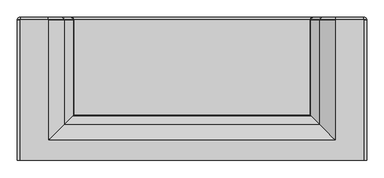
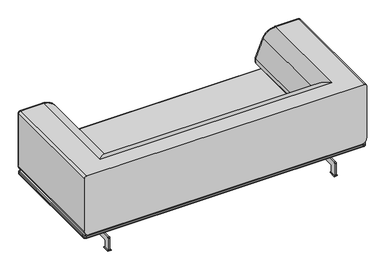
"""IFC4 building model written with IfcOpenShell, lengths in millimetres: furniture geometry."""

from ifc_helpers import new_model, si_unit, point, frame, frame_2d, origin, origin_with_axes, place, context, project, spatial, polyline, circle_curve, ellipse_curve, trimmed, segment, composite_curve, outline, extrude, source, transform, mapped, element, save
from ifc_brep_helpers import plane_surface, cylinder_surface, revolved_surface, advanced_brep


def furniture_7ed4a58c(model_context):
    return source(origin(), model_context, "Body", "SolidModel", [
        extrude(outline(polyline([(-809.515433, -21.0050832), (-809.515433, -72.9965706), (-833.5154085, -72.9965706), (-833.5154085, -21.0050832), (-809.515433, -21.0050832)])), origin_with_axes(), (0.0, 0.0, 1.0), 5.0),
        extrude(outline(polyline([(-809.515433, -842.9777726), (-833.5154085, -842.9777726), (-833.5154085, -790.9862852), (-809.515433, -790.9862852), (-809.515433, -842.9777726)])), origin_with_axes(), (0.0, 0.0, 1.0), 5.0),
        extrude(outline(composite_curve([segment(trimmed(circle_curve(frame_2d((-701.3620737, 104.9874953)), 5.0), [point((-701.3620737, 99.9874953))], [point((-696.3620737, 104.9874953))], True, "CARTESIAN"), True, "CONTINUOUS"), segment(polyline([(-696.3620737, 104.9874953), (-696.3620737, 158.854696), (-186.3648171, 158.854696), (-186.3648171, 104.9874953)]), True, "CONTINUOUS"), segment(trimmed(circle_curve(frame_2d((-181.3648171, 104.9874953)), 5.0), [point((-186.3648171, 104.9874953))], [point((-181.3648171, 99.9874953))], True, "CARTESIAN"), True, "CONTINUOUS"), segment(polyline([(-181.3648171, 99.9874953), (-31.3586859, 99.9874953)]), True, "CONTINUOUS"), segment(trimmed(circle_curve(frame_2d((-31.3586859, 94.9874953)), 5.0), [point((-31.3586859, 99.9874953))], [point((-26.3586859, 94.9874953))], False, "CARTESIAN"), True, "CONTINUOUS"), segment(polyline([(-26.3586859, 94.9874953), (-26.3586859, 5.0)]), True, "CONTINUOUS"), segment(trimmed(circle_curve(frame_2d((-31.3586859, 5.0)), 5.0), [point((-26.3586859, 5.0))], [point((-31.3586859, 0.0))], False, "CARTESIAN"), True, "CONTINUOUS"), segment(polyline([(-31.3586859, 0.0), (-61.3586859, 0.0)]), True, "CONTINUOUS"), segment(trimmed(circle_curve(frame_2d((-61.3586859, 5.0)), 5.0), [point((-61.3586859, 0.0))], [point((-66.3586859, 5.0))], False, "CARTESIAN"), True, "CONTINUOUS"), segment(polyline([(-66.3586859, 5.0), (-66.3586859, 54.9883827)]), True, "CONTINUOUS"), segment(trimmed(circle_curve(frame_2d((-71.3586859, 54.9883827)), 5.0), [point((-66.3586859, 54.9883827))], [point((-71.3586859, 59.9883827))], True, "CARTESIAN"), True, "CONTINUOUS"), segment(polyline([(-71.3586859, 59.9883827), (-791.9807583, 59.9883827)]), True, "CONTINUOUS"), segment(trimmed(circle_curve(frame_2d((-791.9807583, 54.9883827)), 5.0), [point((-791.9807583, 59.9883827))], [point((-796.9807583, 54.9883827))], True, "CARTESIAN"), True, "CONTINUOUS"), segment(polyline([(-796.9807583, 54.9883827), (-796.9807583, 5.0)]), True, "CONTINUOUS"), segment(trimmed(circle_curve(frame_2d((-801.9807583, 5.0)), 5.0), [point((-796.9807583, 5.0))], [point((-801.9807583, 0.0))], False, "CARTESIAN"), True, "CONTINUOUS"), segment(polyline([(-801.9807583, 0.0), (-831.9832995, 0.0)]), True, "CONTINUOUS"), segment(trimmed(circle_curve(frame_2d((-831.9832995, 5.0)), 5.0), [point((-831.9832995, 0.0))], [point((-836.9832995, 5.0))], False, "CARTESIAN"), True, "CONTINUOUS"), segment(polyline([(-836.9832995, 5.0), (-836.9832995, 94.9874953)]), True, "CONTINUOUS"), segment(trimmed(circle_curve(frame_2d((-831.9832995, 94.9874953)), 5.0), [point((-836.9832995, 94.9874953))], [point((-831.9832995, 99.9874953))], False, "CARTESIAN"), True, "CONTINUOUS"), segment(polyline([(-831.9832995, 99.9874953), (-701.3620737, 99.9874953)]), True, "CONTINUOUS")], self_intersect=False)), frame((-827.5154207, 0.0, 0.0), z_axis=(1.0, 0.0, 0.0), x_axis=(0.0, 1.0, 0.0)), (0.0, 0.0, 1.0), 12.0),
        extrude(outline(polyline([(833.5154085, -21.0050832), (833.5154085, -72.9965706), (809.515433, -72.9965706), (809.515433, -21.0050832), (833.5154085, -21.0050832)])), origin_with_axes(), (0.0, 0.0, 1.0), 5.0),
        extrude(outline(polyline([(833.5154085, -842.9777726), (809.515433, -842.9777726), (809.515433, -790.9862852), (833.5154085, -790.9862852), (833.5154085, -842.9777726)])), origin_with_axes(), (0.0, 0.0, 1.0), 5.0),
        extrude(outline(composite_curve([segment(trimmed(circle_curve(frame_2d((-701.3620737, 104.9874953)), 5.0), [point((-701.3620737, 99.9874953))], [point((-696.3620737, 104.9874953))], True, "CARTESIAN"), True, "CONTINUOUS"), segment(polyline([(-696.3620737, 104.9874953), (-696.3620737, 158.854696), (-186.3648171, 158.854696), (-186.3648171, 104.9874953)]), True, "CONTINUOUS"), segment(trimmed(circle_curve(frame_2d((-181.3648171, 104.9874953)), 5.0), [point((-186.3648171, 104.9874953))], [point((-181.3648171, 99.9874953))], True, "CARTESIAN"), True, "CONTINUOUS"), segment(polyline([(-181.3648171, 99.9874953), (-31.3586859, 99.9874953)]), True, "CONTINUOUS"), segment(trimmed(circle_curve(frame_2d((-31.3586859, 94.9874953)), 5.0), [point((-31.3586859, 99.9874953))], [point((-26.3586859, 94.9874953))], False, "CARTESIAN"), True, "CONTINUOUS"), segment(polyline([(-26.3586859, 94.9874953), (-26.3586859, 5.0)]), True, "CONTINUOUS"), segment(trimmed(circle_curve(frame_2d((-31.3586859, 5.0)), 5.0), [point((-26.3586859, 5.0))], [point((-31.3586859, 0.0))], False, "CARTESIAN"), True, "CONTINUOUS"), segment(polyline([(-31.3586859, 0.0), (-61.3586859, 0.0)]), True, "CONTINUOUS"), segment(trimmed(circle_curve(frame_2d((-61.3586859, 5.0)), 5.0), [point((-61.3586859, 0.0))], [point((-66.3586859, 5.0))], False, "CARTESIAN"), True, "CONTINUOUS"), segment(polyline([(-66.3586859, 5.0), (-66.3586859, 54.9883827)]), True, "CONTINUOUS"), segment(trimmed(circle_curve(frame_2d((-71.3586859, 54.9883827)), 5.0), [point((-66.3586859, 54.9883827))], [point((-71.3586859, 59.9883827))], True, "CARTESIAN"), True, "CONTINUOUS"), segment(polyline([(-71.3586859, 59.9883827), (-791.9807583, 59.9883827)]), True, "CONTINUOUS"), segment(trimmed(circle_curve(frame_2d((-791.9807583, 54.9883827)), 5.0), [point((-791.9807583, 59.9883827))], [point((-796.9807583, 54.9883827))], True, "CARTESIAN"), True, "CONTINUOUS"), segment(polyline([(-796.9807583, 54.9883827), (-796.9807583, 5.0)]), True, "CONTINUOUS"), segment(trimmed(circle_curve(frame_2d((-801.9807583, 5.0)), 5.0), [point((-796.9807583, 5.0))], [point((-801.9807583, 0.0))], False, "CARTESIAN"), True, "CONTINUOUS"), segment(polyline([(-801.9807583, 0.0), (-831.9832995, 0.0)]), True, "CONTINUOUS"), segment(trimmed(circle_curve(frame_2d((-831.9832995, 5.0)), 5.0), [point((-831.9832995, 0.0))], [point((-836.9832995, 5.0))], False, "CARTESIAN"), True, "CONTINUOUS"), segment(polyline([(-836.9832995, 5.0), (-836.9832995, 94.9874953)]), True, "CONTINUOUS"), segment(trimmed(circle_curve(frame_2d((-831.9832995, 94.9874953)), 5.0), [point((-836.9832995, 94.9874953))], [point((-831.9832995, 99.9874953))], False, "CARTESIAN"), True, "CONTINUOUS"), segment(polyline([(-831.9832995, 99.9874953), (-701.3620737, 99.9874953)]), True, "CONTINUOUS")], self_intersect=False)), frame((815.5154207, 0.0, 0.0), z_axis=(1.0, 0.0, 0.0), x_axis=(0.0, 1.0, 0.0)), (0.0, 0.0, 1.0), 12.0),
        advanced_brep(
        [(1021.0, -842.4999999, 158.8040803), (-991.0, -842.4999999, 158.8040803), (-1002.5, -830.9999999, 158.8040803), (-1002.5, -33.9999999, 158.8040803), (-991.0, -22.4999999, 158.8040803), (1021.0, -22.4999999, 158.8040803), (1032.5, -33.9999999, 158.8040803), (1032.5, -830.9999999, 158.8040803), (1032.5, -830.9999999, 185.0), (1032.5, -33.9999999, 185.0), (1021.0, -22.4999999, 185.0), (-991.0, -22.4999999, 185.0), (-1002.5, -33.9999999, 185.0), (-1002.5, -830.9999999, 185.0), (-991.0, -842.4999999, 185.0), (1021.0, -842.4999999, 185.0), (1021.0, -849.9999999, 166.3040803), (1040.0, -830.9999999, 166.3040803), (1040.0, -830.9999999, 177.5), (1021.0, -849.9999999, 177.5), (-991.0, -849.9999999, 166.3040803), (-991.0, -849.9999999, 177.5), (-1010.0, -830.9999999, 166.3040803), (-1010.0, -830.9999999, 177.5), (-1010.0, -33.9999999, 166.3040803), (-1010.0, -33.9999999, 177.5), (-991.0, -14.9999999, 166.3040803), (-991.0, -14.9999999, 177.5), (1021.0, -14.9999999, 166.3040803), (1021.0, -14.9999999, 177.5), (1040.0, -33.9999999, 166.3040803), (1040.0, -33.9999999, 177.5)],
        [
            (0, 1),
            (1, 2, circle_curve(frame((-991.0, -830.9999999, 158.8040803), z_axis=(0.0, 0.0, -1.0), x_axis=(0.0, -1.0, 0.0)), 11.5)),
            (2, 3),
            (3, 4, circle_curve(frame((-991.0, -33.9999999, 158.8040803), z_axis=(0.0, 0.0, -1.0), x_axis=(-1.0, 0.0, 0.0)), 11.5)),
            (4, 5),
            (5, 6, circle_curve(frame((1021.0, -33.9999999, 158.8040803), z_axis=(0.0, 0.0, -1.0), x_axis=(0.0, 1.0, 0.0)), 11.5)),
            (6, 7),
            (7, 0, circle_curve(frame((1021.0, -830.9999999, 158.8040803), z_axis=(0.0, 0.0, -1.0), x_axis=(1.0, 0.0, 0.0)), 11.5)),
            (8, 9),
            (9, 10, circle_curve(frame((1021.0, -33.9999999, 185.0), z_axis=(0.0, 0.0, 1.0), x_axis=(0.0, 1.0, 0.0)), 11.5)),
            (10, 11),
            (11, 12, circle_curve(frame((-991.0, -33.9999999, 185.0), z_axis=(0.0, 0.0, 1.0), x_axis=(-1.0, 0.0, 0.0)), 11.5)),
            (12, 13),
            (13, 14, circle_curve(frame((-991.0, -830.9999999, 185.0), z_axis=(0.0, 0.0, 1.0), x_axis=(0.0, -1.0, 0.0)), 11.5)),
            (14, 15),
            (15, 8, circle_curve(frame((1021.0, -830.9999999, 185.0), z_axis=(0.0, 0.0, 1.0), x_axis=(1.0, 0.0, 0.0)), 11.5)),
            (16, 0, circle_curve(frame((1021.0, -842.4999999, 166.3040803), z_axis=(1.0, 0.0, 0.0), x_axis=(0.0, 1.0, 0.0)), 7.5)),
            (7, 17, circle_curve(frame((1032.5, -830.9999999, 166.3040803), z_axis=(0.0, -1.0, 0.0), x_axis=(-1.0, 0.0, 0.0)), 7.5)),
            (17, 16, circle_curve(frame((1021.0, -830.9999999, 166.3040803), z_axis=(0.0, 0.0, -1.0), x_axis=(1.0, 0.0, 0.0)), 19.0)),
            (17, 18),
            (18, 19, circle_curve(frame((1021.0, -830.9999999, 177.5), z_axis=(0.0, 0.0, -1.0), x_axis=(1.0, 0.0, 0.0)), 19.0)),
            (19, 16),
            (18, 8, circle_curve(frame((1032.5, -830.9999999, 177.5), z_axis=(0.0, -1.0, 0.0), x_axis=(-1.0, 0.0, 0.0)), 7.5)),
            (15, 19, circle_curve(frame((1021.0, -842.4999999, 177.5), z_axis=(1.0, 0.0, 0.0), x_axis=(0.0, 1.0, 0.0)), 7.5)),
            (16, 20),
            (20, 1, circle_curve(frame((-991.0, -842.4999999, 166.3040803), z_axis=(1.0, 0.0, 0.0), x_axis=(0.0, 1.0, 0.0)), 7.5)),
            (19, 21),
            (21, 20),
            (14, 21, circle_curve(frame((-991.0, -842.4999999, 177.5), z_axis=(1.0, 0.0, 0.0), x_axis=(0.0, 1.0, 0.0)), 7.5)),
            (20, 22, circle_curve(frame((-991.0, -830.9999999, 166.3040803), z_axis=(0.0, 0.0, -1.0), x_axis=(0.0, -1.0, 0.0)), 19.0)),
            (22, 2, circle_curve(frame((-1002.5, -830.9999999, 166.3040803), z_axis=(0.0, -1.0, 0.0), x_axis=(1.0, 0.0, 0.0)), 7.5)),
            (21, 23, circle_curve(frame((-991.0, -830.9999999, 177.5), z_axis=(0.0, 0.0, -1.0), x_axis=(0.0, -1.0, 0.0)), 19.0)),
            (23, 22),
            (13, 23, circle_curve(frame((-1002.5, -830.9999999, 177.5), z_axis=(0.0, -1.0, 0.0), x_axis=(1.0, 0.0, 0.0)), 7.5)),
            (22, 24),
            (24, 3, circle_curve(frame((-1002.5, -33.9999999, 166.3040803), z_axis=(0.0, -1.0, 0.0), x_axis=(1.0, 0.0, 0.0)), 7.5)),
            (23, 25),
            (25, 24),
            (12, 25, circle_curve(frame((-1002.5, -33.9999999, 177.5), z_axis=(0.0, -1.0, 0.0), x_axis=(1.0, 0.0, 0.0)), 7.5)),
            (24, 26, circle_curve(frame((-991.0, -33.9999999, 166.3040803), z_axis=(0.0, 0.0, -1.0), x_axis=(-1.0, 0.0, 0.0)), 19.0)),
            (26, 4, circle_curve(frame((-991.0, -22.4999999, 166.3040803), z_axis=(-1.0, 0.0, 0.0), x_axis=(0.0, -1.0, 0.0)), 7.5)),
            (25, 27, circle_curve(frame((-991.0, -33.9999999, 177.5), z_axis=(0.0, 0.0, -1.0), x_axis=(-1.0, 0.0, 0.0)), 19.0)),
            (27, 26),
            (11, 27, circle_curve(frame((-991.0, -22.4999999, 177.5), z_axis=(-1.0, 0.0, 0.0), x_axis=(0.0, -1.0, 0.0)), 7.5)),
            (26, 28),
            (28, 5, circle_curve(frame((1021.0, -22.4999999, 166.3040803), z_axis=(-1.0, 0.0, 0.0), x_axis=(0.0, -1.0, 0.0)), 7.5)),
            (27, 29),
            (29, 28),
            (10, 29, circle_curve(frame((1021.0, -22.4999999, 177.5), z_axis=(-1.0, 0.0, 0.0), x_axis=(0.0, -1.0, 0.0)), 7.5)),
            (28, 30, circle_curve(frame((1021.0, -33.9999999, 166.3040803), z_axis=(0.0, 0.0, -1.0), x_axis=(0.0, 1.0, 0.0)), 19.0)),
            (30, 6, circle_curve(frame((1032.5, -33.9999999, 166.3040803), z_axis=(0.0, 1.0, 0.0), x_axis=(-1.0, 0.0, 0.0)), 7.5)),
            (29, 31, circle_curve(frame((1021.0, -33.9999999, 177.5), z_axis=(0.0, 0.0, -1.0), x_axis=(0.0, 1.0, 0.0)), 19.0)),
            (31, 30),
            (9, 31, circle_curve(frame((1032.5, -33.9999999, 177.5), z_axis=(0.0, 1.0, 0.0), x_axis=(-1.0, 0.0, 0.0)), 7.5)),
            (30, 17),
            (31, 18),
        ],
        [
            plane_surface(frame((-987.0, -830.9999999, 158.8040803), z_axis=(0.0, 0.0, -1.0), x_axis=(0.0, 1.0, 0.0))),
            plane_surface(frame((-987.0, -830.9999999, 185.0), z_axis=(0.0, 0.0, 1.0), x_axis=(0.0, -1.0, 0.0))),
            revolved_surface(trimmed(ellipse_curve(frame((1032.5, -830.9999999, 166.3040803), z_axis=(0.0, -1.0, 0.0), x_axis=(-1.0, 0.0, 0.0)), 7.5, 7.5), [point((1032.5, -830.9999999, 158.8040803))], [point((1040.0, -830.9999999, 166.3040803))], True, "CARTESIAN"), (1021.0, -830.9999999, 185.0), (0.0, 0.0, 1.0)),
            cylinder_surface(frame((1021.0, -830.9999999, 185.0), z_axis=(0.0, 0.0, 1.0), x_axis=(1.0, 0.0, 0.0)), 19.0),
            revolved_surface(trimmed(ellipse_curve(frame((1032.5, -830.9999999, 177.5), z_axis=(0.0, -1.0, 0.0), x_axis=(-1.0, 0.0, 0.0)), 7.5, 7.5), [point((1040.0, -830.9999999, 177.5))], [point((1032.5, -830.9999999, 185.0))], True, "CARTESIAN"), (1021.0, -830.9999999, 185.0), (0.0, 0.0, 1.0)),
            cylinder_surface(frame((1021.0, -842.4999999, 166.3040803), z_axis=(1.0, 0.0, 0.0), x_axis=(0.0, 1.0, 0.0)), 7.5),
            plane_surface(frame((1021.0, -849.9999999, 166.3040803), z_axis=(0.0, -1.0, 0.0), x_axis=(-1.0, 0.0, 0.0))),
            cylinder_surface(frame((1021.0, -842.4999999, 177.5), z_axis=(1.0, 0.0, 0.0), x_axis=(0.0, 1.0, 0.0)), 7.5),
            revolved_surface(trimmed(ellipse_curve(frame((-991.0, -842.4999999, 166.3040803), z_axis=(-1.0, 0.0, 0.0), x_axis=(0.0, 1.0, 0.0)), 7.5, 7.5), [point((-991.0, -842.4999999, 158.8040803))], [point((-991.0, -849.9999999, 166.3040803))], True, "CARTESIAN"), (-991.0, -830.9999999, 185.0), (0.0, 0.0, 1.0)),
            cylinder_surface(frame((-991.0, -830.9999999, 185.0), z_axis=(0.0, 0.0, 1.0), x_axis=(0.0, -1.0, 0.0)), 19.0),
            revolved_surface(trimmed(ellipse_curve(frame((-991.0, -842.4999999, 177.5), z_axis=(-1.0, 0.0, 0.0), x_axis=(0.0, 1.0, 0.0)), 7.5, 7.5), [point((-991.0, -849.9999999, 177.5))], [point((-991.0, -842.4999999, 185.0))], True, "CARTESIAN"), (-991.0, -830.9999999, 185.0), (0.0, 0.0, 1.0)),
            cylinder_surface(frame((-1002.5, -830.9999999, 166.3040803), z_axis=(0.0, -1.0, 0.0), x_axis=(1.0, 0.0, 0.0)), 7.5),
            plane_surface(frame((-1010.0, -830.9999999, 166.3040803), z_axis=(-1.0, 0.0, 0.0), x_axis=(0.0, 1.0, 0.0))),
            cylinder_surface(frame((-1002.5, -830.9999999, 177.5), z_axis=(0.0, -1.0, 0.0), x_axis=(1.0, 0.0, 0.0)), 7.5),
            revolved_surface(trimmed(ellipse_curve(frame((-1002.5, -33.9999999, 166.3040803), z_axis=(0.0, 1.0, 0.0), x_axis=(1.0, 0.0, 0.0)), 7.5, 7.5), [point((-1002.5, -33.9999999, 158.8040803))], [point((-1010.0, -33.9999999, 166.3040803))], True, "CARTESIAN"), (-991.0, -33.9999999, 185.0), (0.0, 0.0, 1.0)),
            cylinder_surface(frame((-991.0, -33.9999999, 185.0), z_axis=(0.0, 0.0, 1.0), x_axis=(-1.0, 0.0, 0.0)), 19.0),
            revolved_surface(trimmed(ellipse_curve(frame((-1002.5, -33.9999999, 177.5), z_axis=(0.0, 1.0, 0.0), x_axis=(1.0, 0.0, 0.0)), 7.5, 7.5), [point((-1010.0, -33.9999999, 177.5))], [point((-1002.5, -33.9999999, 185.0))], True, "CARTESIAN"), (-991.0, -33.9999999, 185.0), (0.0, 0.0, 1.0)),
            cylinder_surface(frame((-991.0, -22.4999999, 166.3040803), z_axis=(-1.0, 0.0, 0.0), x_axis=(0.0, -1.0, 0.0)), 7.5),
            plane_surface(frame((-991.0, -14.9999999, 166.3040803), z_axis=(0.0, 1.0, 0.0), x_axis=(1.0, 0.0, 0.0))),
            cylinder_surface(frame((-991.0, -22.4999999, 177.5), z_axis=(-1.0, 0.0, 0.0), x_axis=(0.0, -1.0, 0.0)), 7.5),
            revolved_surface(trimmed(ellipse_curve(frame((1021.0, -22.4999999, 166.3040803), z_axis=(1.0, 0.0, 0.0), x_axis=(0.0, -1.0, 0.0)), 7.5, 7.5), [point((1021.0, -22.4999999, 158.8040803))], [point((1021.0, -14.9999999, 166.3040803))], True, "CARTESIAN"), (1021.0, -33.9999999, 185.0), (0.0, 0.0, 1.0)),
            cylinder_surface(frame((1021.0, -33.9999999, 185.0), z_axis=(0.0, 0.0, 1.0), x_axis=(0.0, 1.0, 0.0)), 19.0),
            revolved_surface(trimmed(ellipse_curve(frame((1021.0, -22.4999999, 177.5), z_axis=(1.0, 0.0, 0.0), x_axis=(0.0, -1.0, 0.0)), 7.5, 7.5), [point((1021.0, -14.9999999, 177.5))], [point((1021.0, -22.4999999, 185.0))], True, "CARTESIAN"), (1021.0, -33.9999999, 185.0), (0.0, 0.0, 1.0)),
            cylinder_surface(frame((1032.5, -33.9999999, 166.3040803), z_axis=(0.0, 1.0, 0.0), x_axis=(-1.0, 0.0, 0.0)), 7.5),
            plane_surface(frame((1040.0, -33.9999999, 166.3040803), z_axis=(1.0, 0.0, 0.0), x_axis=(0.0, -1.0, 0.0))),
            cylinder_surface(frame((1032.5, -33.9999999, 177.5), z_axis=(0.0, 1.0, 0.0), x_axis=(-1.0, 0.0, 0.0)), 7.5),
        ],
        [
            (0, [[1, 2, 3, 4, 5, 6, 7, 8]]),
            (1, [[9, 10, 11, 12, 13, 14, 15, 16]]),
            (2, [[17, -8, 18, 19]]),
            (3, [[20, 21, 22, -19]]),
            (4, [[23, -16, 24, -21]]),
            (5, [[25, 26, -1, -17]]),
            (6, [[27, 28, -25, -22]]),
            (7, [[-15, 29, -27, -24]]),
            (8, [[30, 31, -2, -26]]),
            (9, [[32, 33, -30, -28]]),
            (10, [[-14, 34, -32, -29]]),
            (11, [[35, 36, -3, -31]]),
            (12, [[37, 38, -35, -33]]),
            (13, [[-13, 39, -37, -34]]),
            (14, [[40, 41, -4, -36]]),
            (15, [[42, 43, -40, -38]]),
            (16, [[-12, 44, -42, -39]]),
            (17, [[45, 46, -5, -41]]),
            (18, [[47, 48, -45, -43]]),
            (19, [[-11, 49, -47, -44]]),
            (20, [[50, 51, -6, -46]]),
            (21, [[52, 53, -50, -48]]),
            (22, [[-10, 54, -52, -49]]),
            (23, [[-7, -51, 55, -18]]),
            (24, [[-55, -53, 56, -20]]),
            (25, [[-56, -54, -9, -23]]),
        ],
    ),
        advanced_brep(
        [(1040.0, -26.7851085, 222.8204468), (1040.0, -24.1670048, 222.8204468), (1040.0, -24.1670048, 623.0000241), (1040.0, -26.7851085, 623.0000241), (1040.0, -850.6469164, 623.0000241), (1040.0, -850.6469164, 222.8204468), (-828.299814, -26.7851085, 640.0000241), (-828.299814, -24.1670048, 640.0000241), (-993.0, -24.1670048, 640.0000241), (-993.0, -26.7851085, 640.0000241), (-993.0, -850.6469164, 640.0000241), (1023.0, -850.6469164, 640.0000241), (1023.0, -26.7851085, 640.0000241), (1023.0, -24.1670048, 640.0000241), (858.299814, -24.1670048, 640.0000241), (858.299814, -26.7851085, 640.0000241), (858.299814, -733.2998139, 640.0000241), (-828.299814, -733.2998139, 640.0000241), (766.6416938, -26.7851085, 584.0963643), (766.6416938, -641.6416936, 584.0963643), (712.6001304, -26.7851085, 446.868702), (712.6001304, -587.6001302, 446.868702), (712.6001304, -26.7851085, 413.9178058), (712.6001304, -587.6001302, 413.9178058), (729.7291432, -26.7851085, 394.2161731), (729.7334259, -604.7334257, 394.2142899), (1002.1795532, -850.6469164, 185.0), (-972.1795532, -850.6469164, 185.0), (-972.1795532, -26.7851085, 185.0), (-972.1795532, -24.1670048, 185.0), (1002.1795532, -24.1670048, 185.0), (1002.1795532, -26.7851085, 185.0), (-736.6416938, -641.6416936, 584.0963643), (-682.6001304, -587.6001302, 446.868702), (-682.6001304, -587.6001302, 413.9178058), (-699.7334259, -604.7334257, 394.2142899), (-1010.0, -850.6469164, 222.8204468), (-1010.0, -850.6469164, 623.0000241), (-1010.0, -26.7851085, 623.0000241), (-1010.0, -24.1670048, 623.0000241), (-1010.0, -24.1670048, 270.0000241), (-1010.0, -24.1670048, 222.8204468), (-1010.0, -26.7851085, 222.8204468), (-736.6416938, -26.7851085, 584.0963643), (-682.6001304, -26.7851085, 446.868702), (-682.6001304, -26.7851085, 413.9178058), (-699.7334259, -26.7851085, 394.2142899), (789.401505, -26.7851085, 381.6735871), (789.401505, -26.7851085, 351.6735871), (789.401505, -664.4015048, 351.6735871), (789.401505, -664.4015048, 381.6735871), (789.401505, -24.1670048, 351.6735871), (-759.401505, -24.1670048, 351.6735871), (-759.401505, -26.7851085, 351.6735871), (-759.401505, -664.4015048, 351.6735871), (-759.401505, -664.4015048, 381.6735871), (-759.401505, -26.7851085, 381.6735871), (-694.4734567, -11.830552, 443.5202413), (-694.4734567, -11.830552, 417.2662665), (-704.6982936, -11.830552, 405.5075691), (-759.401505, -11.830552, 394.0100399), (-759.401505, -11.830552, 339.3371343), (789.401505, -11.830552, 339.3371343), (789.401505, -11.830552, 394.0100399), (734.6957379, -11.830552, 405.5086932), (724.4734567, -11.830552, 417.2662665), (724.4734567, -11.830552, 443.5202413), (777.6099266, -11.830552, 578.4496009), (858.299814, -11.830552, 627.6635713), (1023.0, -11.830552, 627.6635713), (1027.6635472, -11.830552, 623.0000241), (1027.6635472, -11.830552, 222.8204468), (1002.1795532, -11.830552, 197.3364528), (-972.1795532, -11.830552, 197.3364528), (-997.6635472, -11.830552, 222.8204468), (-997.6635472, -11.830552, 270.0000241), (-997.6635472, -11.830552, 623.0000241), (-993.0, -11.830552, 627.6635713), (-828.299814, -11.830552, 627.6635713), (-747.6099266, -11.830552, 578.4496009), (766.6416938, -24.1670048, 584.0963643), (712.6001304, -24.1670048, 446.868702), (712.6001304, -24.1670048, 413.9178058), (729.7291432, -24.1670048, 394.2161731), (789.401505, -24.1670048, 381.6735871), (-759.401505, -24.1670048, 381.6735871), (-699.7334258, -24.1670048, 394.2142899), (-682.6001304, -24.1670048, 413.9178058), (-682.6001304, -24.1670048, 446.868702), (-736.6416938, -24.1670048, 584.0963643)],
        [
            (0, 1),
            (1, 2),
            (2, 3),
            (3, 4),
            (4, 5),
            (5, 0),
            (6, 7),
            (7, 8),
            (8, 9),
            (9, 10),
            (10, 11),
            (11, 12),
            (12, 13),
            (13, 14),
            (14, 15),
            (15, 16),
            (16, 17),
            (17, 6),
            (15, 18, circle_curve(frame((858.299814, -26.7851085, 536.9081136), z_axis=(0.0, -1.0, 0.0), x_axis=(-1.0, 0.0, 0.0)), 103.0919105)),
            (18, 19),
            (19, 16, ellipse_curve(frame((858.299814, -733.2998139, 536.9081136), z_axis=(0.7071067811865475, 0.7071067811865475, 0.0), x_axis=(-0.7071067811865474, 0.7071067811865476, 0.0)), 145.793978, 103.0919105)),
            (18, 20, circle_curve(frame((1421.5358053, -26.7851085, 246.9379386), z_axis=(0.0, -1.0, 0.0), x_axis=(-1.0, 0.0, 0.0)), 736.5881491)),
            (20, 21),
            (21, 19, ellipse_curve(frame((1421.5358053, -1296.5358052, 246.9379386), z_axis=(0.7071067811865475, 0.7071067811865475, 0.0), x_axis=(-0.7071067811865474, 0.7071067811865476, 0.0)), 1041.6929503, 736.5881491)),
            (20, 22, circle_curve(frame((771.020519, -26.7851085, 430.3932539), z_axis=(0.0, -1.0, 0.0), x_axis=(-1.0, 0.0, 0.0)), 60.699112)),
            (22, 23),
            (23, 21, ellipse_curve(frame((771.020519, -646.0205189, 430.3932539), z_axis=(0.7071067811865475, 0.7071067811865475, 0.0), x_axis=(-0.7071067811865474, 0.7071067811865476, 0.0)), 85.8415074, 60.699112)),
            (22, 24, circle_curve(frame((742.0465264, -26.7851085, 422.2221424), z_axis=(0.0, -1.0, 0.0), x_axis=(-1.0, 0.0, 0.0)), 30.594971)),
            (24, 25),
            (25, 23, ellipse_curve(frame((742.0465264, -617.0465263, 422.2221424), z_axis=(0.7071067811865475, 0.7071067811865475, 0.0), x_axis=(-0.7071067811865474, 0.7071067811865476, 0.0)), 43.2678229, 30.594971)),
            (26, 27),
            (27, 28),
            (28, 29),
            (29, 30),
            (30, 31),
            (31, 26),
            (19, 32),
            (32, 17, ellipse_curve(frame((-828.299814, -733.2998139, 536.9081136), z_axis=(0.7071067811865475, -0.7071067811865475, 0.0), x_axis=(0.7071067811865476, 0.7071067811865474, 0.0)), 145.793978, 103.0919105)),
            (21, 33),
            (33, 32, ellipse_curve(frame((-1391.5358053, -1296.5358052, 246.9379386), z_axis=(0.7071067811865475, -0.7071067811865475, 0.0), x_axis=(0.7071067811865476, 0.7071067811865474, 0.0)), 1041.6929503, 736.5881491)),
            (23, 34),
            (34, 33, ellipse_curve(frame((-741.020519, -646.0205189, 430.3932539), z_axis=(0.7071067811865475, -0.7071067811865475, 0.0), x_axis=(0.7071067811865476, 0.7071067811865474, 0.0)), 85.8415074, 60.699112)),
            (25, 35),
            (35, 34, ellipse_curve(frame((-712.0465264, -617.0465263, 422.2221424), z_axis=(0.7071067811865475, -0.7071067811865475, 0.0), x_axis=(0.7071067811865476, 0.7071067811865474, 0.0)), 43.2678229, 30.594971)),
            (36, 37),
            (37, 38),
            (38, 39),
            (39, 40),
            (40, 41),
            (41, 42),
            (42, 36),
            (32, 43),
            (43, 6, circle_curve(frame((-828.299814, -26.7851085, 536.9081136), z_axis=(0.0, -1.0, 0.0), x_axis=(1.0, 0.0, 0.0)), 103.0919105)),
            (33, 44),
            (44, 43, circle_curve(frame((-1391.5358053, -26.7851085, 246.9379386), z_axis=(0.0, -1.0, 0.0), x_axis=(1.0, 0.0, 0.0)), 736.5881491)),
            (34, 45),
            (45, 44, circle_curve(frame((-741.020519, -26.7851085, 430.3932539), z_axis=(0.0, -1.0, 0.0), x_axis=(1.0, 0.0, 0.0)), 60.699112)),
            (35, 46),
            (46, 45, circle_curve(frame((-712.0465264, -26.7851085, 422.2221424), z_axis=(0.0, -1.0, 0.0), x_axis=(1.0, 0.0, 0.0)), 30.594971)),
            (4, 11, circle_curve(frame((1023.0, -850.6469164, 623.0000241), z_axis=(0.0, -1.0, 0.0), x_axis=(-1.0, 0.0, 0.0)), 17.0)),
            (10, 37, circle_curve(frame((-993.0, -850.6469164, 623.0000241), z_axis=(0.0, -1.0, 0.0), x_axis=(1.0, 0.0, 0.0)), 17.0)),
            (36, 27, circle_curve(frame((-972.1795532, -850.6469164, 222.8204468), z_axis=(0.0, -1.0, 0.0), x_axis=(1.0, 0.0, 0.0)), 37.8204468)),
            (26, 5, circle_curve(frame((1002.1795532, -850.6469164, 222.8204468), z_axis=(0.0, -1.0, 0.0), x_axis=(-1.0, 0.0, 0.0)), 37.8204468)),
            (47, 48, circle_curve(frame((789.401505, -26.7851085, 366.6735871), z_axis=(0.0, 1.0, 0.0), x_axis=(-1.0, 0.0, 0.0)), 15.0)),
            (48, 49),
            (49, 50, ellipse_curve(frame((789.401505, -664.4015048, 366.6735871), z_axis=(-0.7071067811865475, -0.7071067811865475, 0.0), x_axis=(0.7071067811865474, -0.7071067811865476, 0.0)), 21.2132034, 15.0)),
            (50, 47),
            (48, 51),
            (51, 52),
            (52, 53),
            (53, 54),
            (54, 49),
            (54, 55, ellipse_curve(frame((-759.401505, -664.4015048, 366.6735871), z_axis=(-0.7071067811865475, 0.7071067811865475, 0.0), x_axis=(-0.7071067811865476, -0.7071067811865474, 0.0)), 21.2132034, 15.0)),
            (55, 50),
            (53, 56, circle_curve(frame((-759.401505, -26.7851085, 366.6735871), z_axis=(0.0, 1.0, 0.0), x_axis=(1.0, 0.0, 0.0)), 15.0)),
            (56, 55),
            (24, 47, circle_curve(frame((789.401505, -26.7851085, 529.8929075), z_axis=(0.0, -1.0, 0.0), x_axis=(-1.0, 0.0, 0.0)), 148.2193204)),
            (50, 25, ellipse_curve(frame((789.401505, -664.4015048, 529.8929075), z_axis=(0.7071067811865475, 0.7071067811865475, 0.0), x_axis=(-0.7071067811865474, 0.7071067811865476, 0.0)), 209.6137731, 148.2193204)),
            (55, 35, ellipse_curve(frame((-759.401505, -664.4015048, 529.8929075), z_axis=(0.7071067811865475, -0.7071067811865475, 0.0), x_axis=(0.7071067811865476, 0.7071067811865474, 0.0)), 209.6137731, 148.2193204)),
            (56, 46, circle_curve(frame((-759.401505, -26.7851085, 529.8929075), z_axis=(0.0, -1.0, 0.0), x_axis=(1.0, 0.0, 0.0)), 148.2193204)),
            (31, 0, circle_curve(frame((1002.1795532, -26.7851085, 222.8204468), z_axis=(0.0, -1.0, 0.0), x_axis=(-1.0, 0.0, 0.0)), 37.8204468)),
            (42, 28, circle_curve(frame((-972.1795532, -26.7851085, 222.8204468), z_axis=(0.0, -1.0, 0.0), x_axis=(1.0, 0.0, 0.0)), 37.8204468)),
            (3, 12, circle_curve(frame((1023.0, -26.7851085, 623.0000241), z_axis=(0.0, -1.0, 0.0), x_axis=(-1.0, 0.0, 0.0)), 17.0)),
            (9, 38, circle_curve(frame((-993.0, -26.7851085, 623.0000241), z_axis=(0.0, -1.0, 0.0), x_axis=(1.0, 0.0, 0.0)), 17.0)),
            (57, 58, circle_curve(frame((-741.020519, -11.830552, 430.3932539), z_axis=(0.0, 1.0, 0.0), x_axis=(0.9624587034664223, 0.0, -0.2714281564645303)), 48.3626592)),
            (58, 59, circle_curve(frame((-712.0465264, -11.830552, 422.2221424), z_axis=(0.0, 1.0, 0.0), x_axis=(0.4024550511326324, 0.0, -0.9154397477812672)), 18.2585182)),
            (59, 60, circle_curve(frame((-759.401505, -11.830552, 529.8929075), z_axis=(0.0, 1.0, 0.0), x_axis=(2.307809158910861e-12, 0.0, -1.0)), 135.8828676)),
            (60, 61, circle_curve(frame((-759.401505, -11.830552, 366.6735871), z_axis=(0.0, -1.0, 0.0), x_axis=(0.0, 0.0, -1.0)), 27.3364528)),
            (61, 62),
            (62, 63, circle_curve(frame((789.401505, -11.830552, 366.6735871), z_axis=(0.0, -1.0, 0.0), x_axis=(0.0, 0.0, 1.0)), 27.3364528)),
            (63, 64, circle_curve(frame((789.401505, -11.830552, 529.8929075), z_axis=(0.0, 1.0, 0.0), x_axis=(-0.4025950294069417, 0.0, -0.9153781963193267)), 135.8828676)),
            (64, 65, circle_curve(frame((742.0465264, -11.830552, 422.2221424), z_axis=(0.0, 1.0, 0.0), x_axis=(-0.9624587034664259, 0.0, -0.27142815646451735)), 18.2585182)),
            (65, 66, circle_curve(frame((771.020519, -11.830552, 430.3932539), z_axis=(0.0, 1.0, 0.0), x_axis=(-0.9624587034663407, 0.0, 0.27142815646481944)), 48.3626592)),
            (66, 67, circle_curve(frame((1421.5358053, -11.830552, 246.9379386), z_axis=(0.0, 1.0, 0.0), x_axis=(-0.8890912952620775, 0.0, 0.457729908012576)), 724.2516963)),
            (67, 68, circle_curve(frame((858.299814, -11.830552, 536.9081136), z_axis=(0.0, 1.0, 0.0), x_axis=(0.0, 0.0, 1.0)), 90.7554577)),
            (68, 69),
            (69, 70, circle_curve(frame((1023.0, -11.830552, 623.0000241), z_axis=(0.0, 1.0, 0.0), x_axis=(1.0, 0.0, 0.0)), 4.6635472)),
            (70, 71),
            (71, 72, circle_curve(frame((1002.1795532, -11.830552, 222.8204468), z_axis=(0.0, 1.0, 0.0), x_axis=(0.0, 0.0, -1.0)), 25.483994)),
            (72, 73),
            (73, 74, circle_curve(frame((-972.1795532, -11.830552, 222.8204468), z_axis=(0.0, 1.0, 0.0), x_axis=(-1.0, 0.0, 0.0)), 25.483994)),
            (74, 75),
            (75, 76),
            (76, 77, circle_curve(frame((-993.0, -11.830552, 623.0000241), z_axis=(0.0, 1.0, 0.0), x_axis=(0.0, 0.0, 1.0)), 4.6635472)),
            (77, 78),
            (78, 79, circle_curve(frame((-828.299814, -11.830552, 536.9081136), z_axis=(0.0, 1.0, 0.0), x_axis=(0.8890912952620602, 0.0, 0.45772990801260977)), 90.7554577)),
            (79, 57, circle_curve(frame((-1391.5358053, -11.830552, 246.9379386), z_axis=(0.0, 1.0, 0.0), x_axis=(0.9624587034663644, 0.0, 0.2714281564647354)), 724.2516963)),
            (8, 39, circle_curve(frame((-993.0, -24.1670048, 623.0000241), z_axis=(0.0, -1.0, 0.0), x_axis=(0.0, 0.0, 1.0)), 17.0)),
            (41, 29, circle_curve(frame((-972.1795532, -24.1670048, 222.8204468), z_axis=(0.0, -1.0, 0.0), x_axis=(-1.0, 0.0, 0.0)), 37.8204468)),
            (30, 1, circle_curve(frame((1002.1795532, -24.1670048, 222.8204468), z_axis=(0.0, -1.0, 0.0), x_axis=(0.0, 0.0, -1.0)), 37.8204468)),
            (2, 13, circle_curve(frame((1023.0, -24.1670048, 623.0000241), z_axis=(0.0, -1.0, 0.0), x_axis=(1.0, 0.0, 0.0)), 17.0)),
            (14, 80, circle_curve(frame((858.299814, -24.1670048, 536.9081136), z_axis=(0.0, -1.0, 0.0), x_axis=(0.0, 0.0, 1.0)), 103.0919105)),
            (80, 18),
            (80, 81, circle_curve(frame((1421.5358053, -24.1670048, 246.9379386), z_axis=(0.0, -1.0, 0.0), x_axis=(-0.8890912952620775, 0.0, 0.457729908012576)), 736.5881491)),
            (81, 20),
            (81, 82, circle_curve(frame((771.020519, -24.1670048, 430.3932539), z_axis=(0.0, -1.0, 0.0), x_axis=(-0.9624587034663407, 0.0, 0.27142815646481944)), 60.699112)),
            (82, 22),
            (82, 83, circle_curve(frame((742.0465264, -24.1670048, 422.2221424), z_axis=(0.0, -1.0, 0.0), x_axis=(-0.9624587034664259, 0.0, -0.27142815646451735)), 30.594971)),
            (83, 24),
            (83, 84, circle_curve(frame((789.401505, -24.1670048, 529.8929075), z_axis=(0.0, -1.0, 0.0), x_axis=(-0.4025950294069417, 0.0, -0.9153781963193267)), 148.2193204)),
            (84, 47),
            (84, 51, circle_curve(frame((789.401505, -24.1670048, 366.6735871), z_axis=(0.0, 1.0, 0.0), x_axis=(0.0, 0.0, 1.0)), 15.0)),
            (52, 85, circle_curve(frame((-759.401505, -24.1670048, 366.6735871), z_axis=(0.0, 1.0, 0.0), x_axis=(0.0, 0.0, -1.0)), 15.0)),
            (85, 56),
            (85, 86, circle_curve(frame((-759.401505, -24.1670048, 529.8929075), z_axis=(0.0, -1.0, 0.0), x_axis=(2.307809158910861e-12, 0.0, -1.0)), 148.2193204)),
            (86, 46),
            (86, 87, circle_curve(frame((-712.0465264, -24.1670048, 422.2221424), z_axis=(0.0, -1.0, 0.0), x_axis=(0.4024550511326324, 0.0, -0.9154397477812672)), 30.594971)),
            (87, 45),
            (87, 88, circle_curve(frame((-741.020519, -24.1670048, 430.3932539), z_axis=(0.0, -1.0, 0.0), x_axis=(0.9624587034664223, 0.0, -0.2714281564645303)), 60.699112)),
            (88, 44),
            (88, 89, circle_curve(frame((-1391.5358053, -24.1670048, 246.9379386), z_axis=(0.0, -1.0, 0.0), x_axis=(0.9624587034663644, 0.0, 0.2714281564647354)), 736.5881491)),
            (89, 43),
            (89, 7, circle_curve(frame((-828.299814, -24.1670048, 536.9081136), z_axis=(0.0, -1.0, 0.0), x_axis=(0.8890912952620602, 0.0, 0.45772990801260977)), 103.0919105)),
            (76, 39, circle_curve(frame((-997.6635472, -24.1670048, 623.0000241), z_axis=(0.0, 0.0, 1.0), x_axis=(1.0, 0.0, 0.0)), 12.3364528)),
            (8, 77, circle_curve(frame((-993.0, -24.1670048, 627.6635713), z_axis=(-1.0, 0.0, 0.0), x_axis=(0.0, 0.0, -1.0)), 12.3364528)),
            (75, 40, circle_curve(frame((-997.6635472, -24.1670048, 270.0000241), z_axis=(0.0, 0.0, 1.0), x_axis=(1.0, 0.0, 0.0)), 12.3364528)),
            (74, 41, circle_curve(frame((-997.6635472, -24.1670048, 222.8204468), z_axis=(0.0, 0.0, 1.0), x_axis=(1.0, 0.0, 0.0)), 12.3364528)),
            (73, 29, circle_curve(frame((-972.1795532, -24.1670048, 197.3364528), z_axis=(-1.0, 0.0, 0.0), x_axis=(0.0, 0.0, 1.0)), 12.3364528)),
            (72, 30, circle_curve(frame((1002.1795532, -24.1670048, 197.3364528), z_axis=(-1.0, 0.0, 0.0), x_axis=(0.0, 0.0, 1.0)), 12.3364528)),
            (71, 1, circle_curve(frame((1027.6635472, -24.1670048, 222.8204468), z_axis=(0.0, 0.0, -1.0), x_axis=(-1.0, 0.0, 0.0)), 12.3364528)),
            (70, 2, circle_curve(frame((1027.6635472, -24.1670048, 623.0000241), z_axis=(0.0, 0.0, -1.0), x_axis=(-1.0, 0.0, 0.0)), 12.3364528)),
            (69, 13, circle_curve(frame((1023.0, -24.1670048, 627.6635713), z_axis=(1.0, 0.0, 0.0), x_axis=(0.0, 0.0, -1.0)), 12.3364528)),
            (68, 14, circle_curve(frame((858.299814, -24.1670048, 627.6635713), z_axis=(1.0, 0.0, 0.0), x_axis=(0.0, 0.0, -1.0)), 12.3364528)),
            (67, 80, circle_curve(frame((777.6099266, -24.1670048, 578.4496009), z_axis=(0.4577299080126215, 0.0, 0.8890912952620541), x_axis=(0.8890912952620541, 0.0, -0.4577299080126215)), 12.3364528)),
            (66, 81, circle_curve(frame((724.4734567, -24.1670048, 443.5202413), z_axis=(0.2714281564647415, 0.0, 0.9624587034663626), x_axis=(0.9624587034663626, 0.0, -0.2714281564647415)), 12.3364528)),
            (65, 82, circle_curve(frame((724.4734567, -24.1670048, 417.2662665), z_axis=(-0.271428156464528, 0.0, 0.9624587034664229), x_axis=(0.9624587034664229, 0.0, 0.271428156464528)), 12.3364528)),
            (64, 83, circle_curve(frame((734.6957378, -24.1670048, 405.508693), z_axis=(-0.9153781963193273, 0.0, 0.40259502940694036), x_axis=(0.40259502940694036, 0.0, 0.9153781963193273)), 12.3364528)),
            (63, 84, circle_curve(frame((789.401505, -24.1670048, 394.0100399), z_axis=(-0.9999999999999999, 0.0, 0.0), x_axis=(0.0, 0.0, 0.9999999999999999)), 12.3364528)),
            (62, 51, circle_curve(frame((789.401505, -24.1670048, 339.3371343), z_axis=(1.0, 0.0, 0.0), x_axis=(0.0, 0.0, -1.0)), 12.3364528)),
            (61, 52, circle_curve(frame((-759.401505, -24.1670048, 339.3371343), z_axis=(1.0, 0.0, 0.0), x_axis=(0.0, 0.0, -1.0)), 12.3364528)),
            (60, 85, circle_curve(frame((-759.401505, -24.1670048, 394.0100399), z_axis=(-1.0, 0.0, -2.340750156345901e-12), x_axis=(-2.340750156345901e-12, 0.0, 1.0)), 12.3364528)),
            (59, 86, circle_curve(frame((-704.6982936, -24.1670048, 405.5075691), z_axis=(-0.9154397477812675, 0.0, -0.40245505113263186), x_axis=(-0.40245505113263186, 0.0, 0.9154397477812675)), 12.3364528)),
            (58, 87, circle_curve(frame((-694.4734567, -24.1670048, 417.2662665), z_axis=(-0.27142815646452967, 0.0, -0.9624587034664225), x_axis=(-0.9624587034664225, 0.0, 0.27142815646452967)), 12.3364528)),
            (57, 88, circle_curve(frame((-694.4734567, -24.1670048, 443.5202413), z_axis=(0.27142815646473595, 0.0, -0.9624587034663643), x_axis=(-0.9624587034663643, 0.0, -0.27142815646473595)), 12.3364528)),
            (79, 89, circle_curve(frame((-747.6099266, -24.1670048, 578.4496009), z_axis=(0.45772990801257385, 0.0, -0.8890912952620786), x_axis=(-0.8890912952620786, 0.0, -0.45772990801257385)), 12.3364528)),
            (78, 7, circle_curve(frame((-828.299814, -24.1670048, 627.6635713), z_axis=(1.0, 0.0, 0.0), x_axis=(0.0, 0.0, -1.0)), 12.3364528)),
        ],
        [
            plane_surface(frame((1040.0, -26.7851085, 222.8204468), z_axis=(1.0, 0.0, 0.0), x_axis=(0.0, -1.0, 0.0))),
            plane_surface(frame((1023.0, -26.7851085, 640.0000241), z_axis=(0.0, 0.0, 1.0), x_axis=(0.0, -1.0, 0.0))),
            cylinder_surface(frame((858.299814, -26.7851085, 536.9081136), z_axis=(0.0, 1.0, 0.0), x_axis=(-1.0, 0.0, 0.0)), 103.0919105),
            cylinder_surface(frame((1421.5358053, -26.7851085, 246.9379386), z_axis=(0.0, 1.0, 0.0), x_axis=(-1.0, 0.0, 0.0)), 736.5881491),
            cylinder_surface(frame((771.020519, -26.7851085, 430.3932539), z_axis=(0.0, 1.0, 0.0), x_axis=(-1.0, 0.0, 0.0)), 60.699112),
            cylinder_surface(frame((742.0465264, -26.7851085, 422.2221424), z_axis=(0.0, 1.0, 0.0), x_axis=(-1.0, 0.0, 0.0)), 30.594971),
            plane_surface(frame((771.177561, -26.7851085, 185.0), z_axis=(0.0, 0.0, -1.0), x_axis=(0.0, -1.0, 0.0))),
            cylinder_surface(frame((710.0, -733.2998139, 536.9081136), z_axis=(1.0, 0.0, 0.0), x_axis=(0.0, 1.0, 0.0)), 103.0919105),
            cylinder_surface(frame((710.0, -1296.5358052, 246.9379386), z_axis=(1.0, 0.0, 0.0), x_axis=(0.0, 1.0, 0.0)), 736.5881491),
            cylinder_surface(frame((710.0, -646.0205189, 430.3932539), z_axis=(1.0, 0.0, 0.0), x_axis=(0.0, 1.0, 0.0)), 60.699112),
            cylinder_surface(frame((710.0, -617.0465263, 422.2221424), z_axis=(1.0, 0.0, 0.0), x_axis=(0.0, 1.0, 0.0)), 30.594971),
            plane_surface(frame((-1010.0, -914.9999999, 222.8204468), z_axis=(-1.0, 0.0, 0.0), x_axis=(0.0, 1.0, 0.0))),
            cylinder_surface(frame((-828.299814, -584.9999999, 536.9081136), z_axis=(0.0, -1.0, 0.0), x_axis=(1.0, 0.0, 0.0)), 103.0919105),
            cylinder_surface(frame((-1391.5358053, -584.9999999, 246.9379386), z_axis=(0.0, -1.0, 0.0), x_axis=(1.0, 0.0, 0.0)), 736.5881491),
            cylinder_surface(frame((-741.020519, -584.9999999, 430.3932539), z_axis=(0.0, -1.0, 0.0), x_axis=(1.0, 0.0, 0.0)), 60.699112),
            cylinder_surface(frame((-712.0465264, -584.9999999, 422.2221424), z_axis=(0.0, -1.0, 0.0), x_axis=(1.0, 0.0, 0.0)), 30.594971),
            plane_surface(frame((1040.0, -850.6469164, 640.0), z_axis=(0.0, -1.0, 0.0), x_axis=(-1.0, 0.0, 0.0))),
            revolved_surface(polyline([(774.401505, -679.4015047748295, 366.6735871), (774.401505, -26.7851085, 366.6735871)]), (789.401505, -26.7851085, 366.6735871), (0.0, -1.0, 0.0)),
            plane_surface(frame((789.401505, -26.7851085, 351.6735871), z_axis=(0.0, 0.0, 1.0), x_axis=(0.0, -1.0, 0.0))),
            revolved_surface(polyline([(-774.4015049748295, -649.4015048, 366.6735871), (804.4015049748295, -649.4015048, 366.6735871)]), (710.0, -664.4015048, 366.6735871), (-1.0, 0.0, 0.0)),
            revolved_surface(polyline([(-744.401505, -26.78510849999998, 366.6735871), (-744.401505, -679.4015047748295, 366.6735871)]), (-759.401505, -584.9999999, 366.6735871), (0.0, 1.0, 0.0)),
            cylinder_surface(frame((789.401505, -26.7851085, 529.8929075), z_axis=(0.0, 1.0, 0.0), x_axis=(-1.0, 0.0, 0.0)), 148.2193204),
            cylinder_surface(frame((710.0, -664.4015048, 529.8929075), z_axis=(1.0, 0.0, 0.0), x_axis=(0.0, 1.0, 0.0)), 148.2193204),
            cylinder_surface(frame((-759.401505, -584.9999999, 529.8929075), z_axis=(0.0, -1.0, 0.0), x_axis=(1.0, 0.0, 0.0)), 148.2193204),
            cylinder_surface(frame((1002.1795532, -26.7851085, 222.8204468), z_axis=(0.0, 1.0, 0.0), x_axis=(-1.0, 0.0, 0.0)), 37.8204468),
            cylinder_surface(frame((-972.1795532, -584.9999999, 222.8204468), z_axis=(0.0, -1.0, 0.0), x_axis=(1.0, 0.0, 0.0)), 37.8204468),
            cylinder_surface(frame((1023.0, -26.7851085, 623.0000241), z_axis=(0.0, 1.0, 0.0), x_axis=(-1.0, 0.0, 0.0)), 17.0),
            cylinder_surface(frame((-993.0, -584.9999999, 623.0000241), z_axis=(0.0, -1.0, 0.0), x_axis=(1.0, 0.0, 0.0)), 17.0),
            plane_surface(frame((-828.299814, -11.830552, 627.6635713), z_axis=(0.0, 1.0, 0.0), x_axis=(-1.0, 0.0, 0.0))),
            cylinder_surface(frame((-993.0, -26.7851085, 623.0000241), z_axis=(0.0, 1.0, 0.0), x_axis=(0.0, 0.0, 1.0)), 17.0),
            cylinder_surface(frame((-972.1795532, -26.7851085, 222.8204468), z_axis=(0.0, 1.0, 0.0), x_axis=(-1.0, 0.0, 0.0)), 37.8204468),
            cylinder_surface(frame((1002.1795532, -26.7851085, 222.8204468), z_axis=(0.0, 1.0, 0.0), x_axis=(0.0, 0.0, -1.0)), 37.8204468),
            cylinder_surface(frame((1023.0, -26.7851085, 623.0000241), z_axis=(0.0, 1.0, 0.0), x_axis=(1.0, 0.0, 0.0)), 17.0),
            cylinder_surface(frame((858.299814, -26.7851085, 536.9081136), z_axis=(0.0, 1.0, 0.0), x_axis=(0.0, 0.0, 1.0)), 103.0919105),
            cylinder_surface(frame((1421.5358053, -26.7851085, 246.9379386), z_axis=(0.0, 1.0, 0.0), x_axis=(-0.8890912952620775, 0.0, 0.457729908012576)), 736.5881491),
            cylinder_surface(frame((771.020519, -26.7851085, 430.3932539), z_axis=(0.0, 1.0, 0.0), x_axis=(-0.9624587034663407, 0.0, 0.27142815646481944)), 60.699112),
            cylinder_surface(frame((742.0465264, -26.7851085, 422.2221424), z_axis=(0.0, 1.0, 0.0), x_axis=(-0.9624587034664259, 0.0, -0.27142815646451735)), 30.594971),
            cylinder_surface(frame((789.401505, -26.7851085, 529.8929075), z_axis=(0.0, 1.0, 0.0), x_axis=(-0.4025950294069417, 0.0, -0.9153781963193267)), 148.2193204),
            revolved_surface(polyline([(789.401505, -26.7851085, 381.6735871), (789.401505, -24.1670048, 381.6735871)]), (789.401505, -26.7851085, 366.6735871), (0.0, -1.0, 0.0)),
            revolved_surface(polyline([(-759.401505, -26.7851085, 351.6735871), (-759.401505, -24.1670048, 351.6735871)]), (-759.401505, -26.7851085, 366.6735871), (0.0, -1.0, 0.0)),
            cylinder_surface(frame((-759.401505, -26.7851085, 529.8929075), z_axis=(0.0, 1.0, 0.0), x_axis=(2.307809158910861e-12, 0.0, -1.0)), 148.2193204),
            cylinder_surface(frame((-712.0465264, -26.7851085, 422.2221424), z_axis=(0.0, 1.0, 0.0), x_axis=(0.4024550511326324, 0.0, -0.9154397477812672)), 30.594971),
            cylinder_surface(frame((-741.020519, -26.7851085, 430.3932539), z_axis=(0.0, 1.0, 0.0), x_axis=(0.9624587034664223, 0.0, -0.2714281564645303)), 60.699112),
            cylinder_surface(frame((-1391.5358053, -26.7851085, 246.9379386), z_axis=(0.0, 1.0, 0.0), x_axis=(0.9624587034663644, 0.0, 0.2714281564647354)), 736.5881491),
            cylinder_surface(frame((-828.299814, -26.7851085, 536.9081136), z_axis=(0.0, 1.0, 0.0), x_axis=(0.8890912952620602, 0.0, 0.45772990801260977)), 103.0919105),
            revolved_surface(trimmed(ellipse_curve(frame((-993.0, -24.1670048, 627.6635713), z_axis=(-1.0, 0.0, 0.0), x_axis=(0.0, 0.0, -1.0)), 12.3364528, 12.3364528), [point((-993.0, -24.1670048, 640.0000241))], [point((-993.0, -11.830552, 627.6635713))], True, "CARTESIAN"), (-993.0, -26.7851085, 623.0000241), (0.0, 1.0, 0.0)),
            cylinder_surface(frame((-997.6635472, -24.1670048, 623.0000241), z_axis=(0.0, 0.0, 1.0), x_axis=(1.0, 0.0, 0.0)), 12.3364528),
            cylinder_surface(frame((-997.6635472, -24.1670048, 270.0000241), z_axis=(0.0, 0.0, 1.0), x_axis=(1.0, 0.0, 0.0)), 12.3364528),
            revolved_surface(trimmed(ellipse_curve(frame((-997.6635472, -24.1670048, 222.8204468), z_axis=(0.0, 0.0, -1.0), x_axis=(1.0, 0.0, 0.0)), 12.3364528, 12.3364528), [point((-1010.0, -24.1670048, 222.8204468))], [point((-997.6635472, -11.830552, 222.8204468))], True, "CARTESIAN"), (-972.1795532, -26.7851085, 222.8204468), (0.0, 1.0, 0.0)),
            cylinder_surface(frame((-972.1795532, -24.1670048, 197.3364528), z_axis=(-1.0, 0.0, 0.0), x_axis=(0.0, 0.0, 1.0)), 12.3364528),
            revolved_surface(trimmed(ellipse_curve(frame((1002.1795532, -24.1670048, 197.3364528), z_axis=(1.0, 0.0, 0.0), x_axis=(0.0, 0.0, 1.0)), 12.3364528, 12.3364528), [point((1002.1795532, -24.1670048, 185.0))], [point((1002.1795532, -11.830552, 197.3364528))], True, "CARTESIAN"), (1002.1795532, -26.7851085, 222.8204468), (0.0, 1.0, 0.0)),
            cylinder_surface(frame((1027.6635472, -24.1670048, 222.8204468), z_axis=(0.0, 0.0, -1.0), x_axis=(-1.0, 0.0, 0.0)), 12.3364528),
            revolved_surface(trimmed(ellipse_curve(frame((1027.6635472, -24.1670048, 623.0000241), z_axis=(0.0, 0.0, 1.0), x_axis=(-1.0, 0.0, 0.0)), 12.3364528, 12.3364528), [point((1040.0, -24.1670048, 623.0000241))], [point((1027.6635472, -11.830552, 623.0000241))], True, "CARTESIAN"), (1023.0, -26.7851085, 623.0000241), (0.0, 1.0, 0.0)),
            cylinder_surface(frame((1023.0, -24.1670048, 627.6635713), z_axis=(1.0, 0.0, 0.0), x_axis=(0.0, 0.0, -1.0)), 12.3364528),
            revolved_surface(trimmed(ellipse_curve(frame((858.299814, -24.1670048, 627.6635713), z_axis=(-1.0, 0.0, 0.0), x_axis=(0.0, 0.0, -1.0)), 12.3364528, 12.3364528), [point((858.299814, -24.1670048, 640.0000241))], [point((858.299814, -11.830552, 627.6635713))], True, "CARTESIAN"), (858.299814, -26.7851085, 536.9081136), (0.0, 1.0, 0.0)),
            revolved_surface(trimmed(ellipse_curve(frame((777.6099266, -24.1670048, 578.4496009), z_axis=(-0.45772990801257646, 0.0, -0.8890912952620773), x_axis=(0.8890912952620773, 0.0, -0.45772990801257646)), 12.3364528, 12.3364528), [point((766.6416938, -24.1670048, 584.0963643))], [point((777.6099266, -11.830552, 578.4496009))], True, "CARTESIAN"), (1421.5358053, -26.7851085, 246.9379386), (0.0, 1.0, 0.0)),
            revolved_surface(trimmed(ellipse_curve(frame((724.4734567, -24.1670048, 443.5202413), z_axis=(-0.27142815646482, 0.0, -0.9624587034663405), x_axis=(0.9624587034663405, 0.0, -0.27142815646482)), 12.3364528, 12.3364528), [point((712.6001304, -24.1670048, 446.868702))], [point((724.4734567, -11.830552, 443.5202413))], True, "CARTESIAN"), (771.020519, -26.7851085, 430.3932539), (0.0, 1.0, 0.0)),
            revolved_surface(trimmed(ellipse_curve(frame((724.4734567, -24.1670048, 417.2662665), z_axis=(0.2714281564645168, 0.0, -0.962458703466426), x_axis=(0.962458703466426, 0.0, 0.2714281564645168)), 12.3364528, 12.3364528), [point((712.6001304, -24.1670048, 413.9178058))], [point((724.4734567, -11.830552, 417.2662665))], True, "CARTESIAN"), (742.0465264, -26.7851085, 422.2221424), (0.0, 1.0, 0.0)),
            revolved_surface(trimmed(ellipse_curve(frame((734.6957379, -24.1670048, 405.5086932), z_axis=(0.9153781963193265, 0.0, -0.4025950294069423), x_axis=(0.4025950294069423, 0.0, 0.9153781963193265)), 12.3364528, 12.3364528), [point((729.7291433, -24.1670048, 394.2161733))], [point((734.6957379, -11.830552, 405.5086932))], True, "CARTESIAN"), (789.401505, -26.7851085, 529.8929075), (0.0, 1.0, 0.0)),
            revolved_surface(trimmed(ellipse_curve(frame((789.401505, -24.1670048, 394.0100399), z_axis=(1.0, 0.0, 0.0), x_axis=(0.0, 0.0, 1.0)), 12.3364528, 12.3364528), [point((789.401505, -24.1670048, 381.6735871))], [point((789.401505, -11.830552, 394.0100399))], True, "CARTESIAN"), (789.401505, -26.7851085, 366.6735871), (0.0, -1.0, 0.0)),
            cylinder_surface(frame((789.401505, -24.1670048, 339.3371343), z_axis=(1.0, 0.0, 0.0), x_axis=(0.0, 0.0, -1.0)), 12.3364528),
            revolved_surface(trimmed(ellipse_curve(frame((-759.401505, -24.1670048, 339.3371343), z_axis=(-1.0, 0.0, 0.0), x_axis=(0.0, 0.0, -1.0)), 12.3364528, 12.3364528), [point((-759.401505, -24.1670048, 351.6735871))], [point((-759.401505, -11.830552, 339.3371343))], True, "CARTESIAN"), (-759.401505, -26.7851085, 366.6735871), (0.0, -1.0, 0.0)),
            revolved_surface(trimmed(ellipse_curve(frame((-759.401505, -24.1670048, 394.0100399), z_axis=(1.0, 0.0, 2.307137303907359e-12), x_axis=(-2.307137303907359e-12, 0.0, 1.0)), 12.3364528, 12.3364528), [point((-759.401505, -24.1670048, 381.6735871))], [point((-759.401505, -11.830552, 394.0100399))], True, "CARTESIAN"), (-759.401505, -26.7851085, 529.8929075), (0.0, 1.0, 0.0)),
            revolved_surface(trimmed(ellipse_curve(frame((-704.6982936, -24.1670048, 405.5075691), z_axis=(0.9154397477812675, 0.0, 0.40245505113263186), x_axis=(-0.40245505113263186, 0.0, 0.9154397477812675)), 12.3364528, 12.3364528), [point((-699.7334258, -24.1670048, 394.2142899))], [point((-704.6982936, -11.830552, 405.5075691))], True, "CARTESIAN"), (-712.0465264, -26.7851085, 422.2221424), (0.0, 1.0, 0.0)),
            revolved_surface(trimmed(ellipse_curve(frame((-694.4734567, -24.1670048, 417.2662665), z_axis=(0.271428156464531, 0.0, 0.962458703466422), x_axis=(-0.962458703466422, 0.0, 0.271428156464531)), 12.3364528, 12.3364528), [point((-682.6001304, -24.1670048, 413.9178058))], [point((-694.4734567, -11.830552, 417.2662665))], True, "CARTESIAN"), (-741.020519, -26.7851085, 430.3932539), (0.0, 1.0, 0.0)),
            revolved_surface(trimmed(ellipse_curve(frame((-694.4734567, -24.1670048, 443.5202413), z_axis=(-0.27142815646473467, 0.0, 0.9624587034663646), x_axis=(-0.9624587034663646, 0.0, -0.27142815646473467)), 12.3364528, 12.3364528), [point((-682.6001304, -24.1670048, 446.868702))], [point((-694.4734567, -11.830552, 443.5202413))], True, "CARTESIAN"), (-1391.5358053, -26.7851085, 246.9379386), (0.0, 1.0, 0.0)),
            revolved_surface(trimmed(ellipse_curve(frame((-747.6099266, -24.1670048, 578.4496009), z_axis=(-0.4577299080126091, 0.0, 0.8890912952620605), x_axis=(-0.8890912952620605, 0.0, -0.4577299080126091)), 12.3364528, 12.3364528), [point((-736.6416938, -24.1670048, 584.0963643))], [point((-747.6099266, -11.830552, 578.4496009))], True, "CARTESIAN"), (-828.299814, -26.7851085, 536.9081136), (0.0, 1.0, 0.0)),
            cylinder_surface(frame((-828.299814, -24.1670048, 627.6635713), z_axis=(1.0, 0.0, 0.0), x_axis=(0.0, 0.0, -1.0)), 12.3364528),
        ],
        [
            (0, [[1, 2, 3, 4, 5, 6]]),
            (1, [[7, 8, 9, 10, 11, 12, 13, 14, 15, 16, 17, 18]]),
            (2, [[19, 20, 21, -16]]),
            (3, [[22, 23, 24, -20]]),
            (4, [[25, 26, 27, -23]]),
            (5, [[28, 29, 30, -26]]),
            (6, [[31, 32, 33, 34, 35, 36]]),
            (7, [[-21, 37, 38, -17]]),
            (8, [[39, 40, -37, -24]]),
            (9, [[41, 42, -39, -27]]),
            (10, [[43, 44, -41, -30]]),
            (11, [[45, 46, 47, 48, 49, 50, 51]]),
            (12, [[-38, 52, 53, -18]]),
            (13, [[54, 55, -52, -40]]),
            (14, [[56, 57, -54, -42]]),
            (15, [[58, 59, -56, -44]]),
            (16, [[60, -11, 61, -45, 62, -31, 63, -5]]),
            (17, [[64, 65, 66, 67]]),
            (18, [[68, 69, 70, 71, 72, -65]]),
            (19, [[-72, 73, 74, -66]]),
            (20, [[75, 76, -73, -71]]),
            (21, [[77, -67, 78, -29]]),
            (22, [[-78, -74, 79, -43]]),
            (23, [[-79, -76, 80, -58]]),
            (24, [[-63, -36, 81, -6]]),
            (25, [[82, -32, -62, -51]]),
            (26, [[-60, -4, 83, -12]]),
            (27, [[84, -46, -61, -10]]),
            (28, [[85, 86, 87, 88, 89, 90, 91, 92, 93, 94, 95, 96, 97, 98, 99, 100, 101, 102, 103, 104, 105, 106, 107]]),
            (29, [[-47, -84, -9, 108]]),
            (30, [[109, -33, -82, -50]]),
            (31, [[110, -1, -81, -35]]),
            (32, [[111, -13, -83, -3]]),
            (33, [[112, 113, -19, -15]]),
            (34, [[114, 115, -22, -113]]),
            (35, [[116, 117, -25, -115]]),
            (36, [[118, 119, -28, -117]]),
            (37, [[120, 121, -77, -119]]),
            (38, [[122, -68, -64, -121]]),
            (39, [[123, 124, -75, -70]]),
            (40, [[125, 126, -80, -124]]),
            (41, [[127, 128, -59, -126]]),
            (42, [[129, 130, -57, -128]]),
            (43, [[131, 132, -55, -130]]),
            (44, [[133, -7, -53, -132]]),
            (45, [[134, -108, 135, -104]]),
            (46, [[136, -48, -134, -103]]),
            (47, [[137, -49, -136, -102]]),
            (48, [[138, -109, -137, -101]]),
            (49, [[139, -34, -138, -100]]),
            (50, [[140, -110, -139, -99]]),
            (51, [[141, -2, -140, -98]]),
            (52, [[142, -111, -141, -97]]),
            (53, [[143, -14, -142, -96]]),
            (54, [[144, -112, -143, -95]]),
            (55, [[145, -114, -144, -94]]),
            (56, [[146, -116, -145, -93]]),
            (57, [[147, -118, -146, -92]]),
            (58, [[148, -120, -147, -91]]),
            (59, [[149, -122, -148, -90]]),
            (60, [[150, -69, -149, -89]]),
            (61, [[151, -123, -150, -88]]),
            (62, [[152, -125, -151, -87]]),
            (63, [[153, -127, -152, -86]]),
            (64, [[154, -129, -153, -85]]),
            (65, [[155, -131, -154, -107]]),
            (66, [[156, -133, -155, -106]]),
            (67, [[-135, -8, -156, -105]]),
        ],
    ),
    ])


if __name__ == "__main__":
    model = new_model("IFC4")
    model_context = context("Model", 3, world=origin())
    ifc_project = project(units=[si_unit("LENGTHUNIT", "METRE", prefix="MILLI")], contexts=[model_context])
    site = spatial("IfcSite", under=ifc_project)
    building = spatial("IfcBuilding", under=site)
    placement = place(None, origin())
    furniture_shape = furniture_7ed4a58c(model_context)
    element("IfcFurniture", 1, at=placement, inside=building, context=model_context, shape_type="MappedRepresentation", body=[
        mapped(furniture_shape, transform((0.0, 0.0, 0.0), x_axis=(1.0, 0.0, 0.0), y_axis=(0.0, 1.0, 0.0), z_axis=(0.0, 0.0, 1.0))),
    ])
    save(model, "model.ifc")
